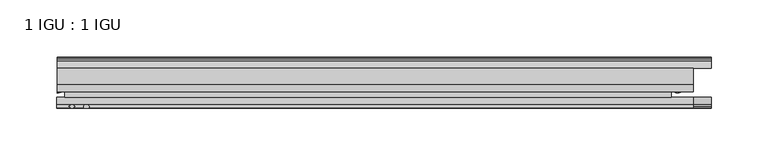
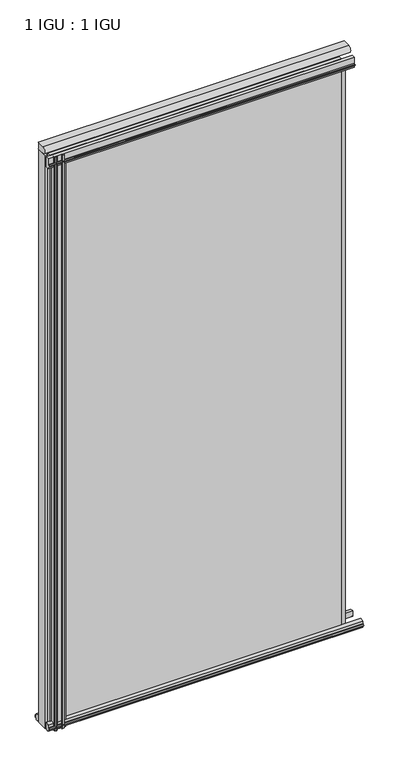
"""IFC4 building model written with IfcOpenShell, lengths in millimetres: plate geometry, 1 IGU : 1 IGU."""

from ifc_helpers import new_model, si_unit, point, frame, frame_2d, origin, place, context, project, spatial, polyline, circle_curve, ellipse_curve, trimmed, segment, composite_curve, outline, extrude, source, transform, mapped, element, save
from ifc_brep_helpers import plane_surface, cylinder_surface, revolved_surface, extruded_surface, advanced_brep


def plate_1_igu_1_igu_942560dd(model_context):
    return source(origin(), model_context, "Body", "SolidModel", [
        extrude(outline(polyline([(-314.3261907, -38.6468937), (218.0840032, -38.6468937), (218.0840032, -44.9460938), (-314.3261907, -44.9460938), (-314.3261907, -38.6468937)])), frame((0.0, 0.0, -12.7), z_axis=(0.0, 0.0, 1.0), x_axis=(1.0, 0.0, 0.0)), (0.0, 0.0, 1.0), 1106.5637371),
        extrude(outline(polyline([(-314.3261907, -19.5460937), (218.0840032, -19.5460937), (218.0840032, -25.8960938), (-314.3261907, -25.8960938), (-314.3261907, -19.5460937)])), frame((0.0, 0.0, -12.7), z_axis=(0.0, 0.0, 1.0), x_axis=(1.0, 0.0, 0.0)), (0.0, 0.0, 1.0), 1106.5637371),
        extrude(outline(composite_curve([segment(trimmed(circle_curve(frame_2d((-9.2245666, 1100.1773164)), 12.1106873), [point((-19.5460937, 1106.5125215))], [point((-19.5460937, 1093.8421112))], True, "CARTESIAN"), True, "CONTINUOUS"), segment(polyline([(-19.5460937, 1093.8421112), (-33.8757421, 1093.8421112)]), True, "CONTINUOUS"), segment(trimmed(circle_curve(frame_2d((-33.8757421, 1100.1773164)), 6.3352052), [point((-33.8757421, 1093.8421112))], [point((-33.8757421, 1106.5125215))], False, "CARTESIAN"), True, "CONTINUOUS"), segment(polyline([(-33.8757421, 1106.5125215), (-19.5460937, 1106.5125215)]), True, "CONTINUOUS")], self_intersect=False)), frame((-320.6761907, 0.0, 0.0), z_axis=(1.0, 0.0, 0.0), x_axis=(0.0, 1.0, 0.0)), (0.0, 0.0, 1.0), 558.3062877),
        advanced_brep(
        [(230.8149887, -20.0381352, 1074.8137371), (218.1149887, -19.5460938, 1074.8137371), (218.1149887, -25.8960938, 1074.8137371), (217.2629308, -29.4671887, 1074.8137371), (230.8149887, -32.2460938, 1074.8137371), (230.8149887, -20.0381352, -12.4587), (230.8149887, -32.2460938, -12.4587), (217.266167, -29.4679608, -12.4587), (218.1149887, -25.8960938, -12.4587), (218.1149887, -19.5460938, -12.4587)],
        [
            (0, 1, circle_curve(frame((225.0982619, -3.4468047, 1074.8137371), z_axis=(0.0, 0.0, -1.0), x_axis=(0.0, 1.0, 0.0)), 17.5485957)),
            (1, 2),
            (2, 3),
            (3, 4, ellipse_curve(frame((223.8788201, -32.2460938, 1074.8137371), z_axis=(0.0, 0.0, 1.0), x_axis=(0.0, -1.0, 0.0)), 9.2039536, 6.9361686)),
            (4, 0),
            (5, 6),
            (6, 7, ellipse_curve(frame((223.8788201, -32.2460938, -12.4587), z_axis=(0.0, 0.0, -1.0), x_axis=(0.0, -1.0, 0.0)), 9.2039536, 6.9361686)),
            (7, 8),
            (8, 9),
            (9, 5, circle_curve(frame((225.0982619, -3.4468047, -12.4587), z_axis=(0.0, 0.0, 1.0), x_axis=(0.0, 1.0, 0.0)), 17.5485957)),
            (0, 5),
            (9, 1),
            (8, 2),
            (7, 3),
            (6, 4),
        ],
        [
            plane_surface(frame((253.2074407, -13.1960938, 1074.8137371), z_axis=(0.0, 0.0, 1.0), x_axis=(0.0, 1.0, 0.0))),
            plane_surface(frame((253.2074407, -13.1960938, -12.4587), z_axis=(0.0, 0.0, -1.0), x_axis=(0.0, 1.0, 0.0))),
            revolved_surface(polyline([(225.0982619, 14.101791, -12.458699999999908), (225.0982619, 14.101791, 1074.8137371)]), (225.0982619, -3.4468047, 1074.8137371), (0.0, 0.0, -1.0)),
            plane_surface(frame((218.1149887, -19.5460938, 1074.8137371), z_axis=(-1.0, 0.0, 0.0), x_axis=(0.0, 0.0, -1.0))),
            plane_surface(frame((218.1149887, -25.8960938, 1074.8137371), z_axis=(-0.972695803429064, 0.23208376503212744, 0.0), x_axis=(0.0, 0.0, -1.0))),
            extruded_surface(trimmed(ellipse_curve(frame((223.8788201, -32.2460938, -12.4587), z_axis=(0.0, 0.0, 1.0), x_axis=(0.0, -1.0, 0.0)), 9.2039536, 6.9361686), [point((217.266167, -29.4679608, -12.4587))], [point((230.8149887, -32.2460938, -12.4587))], True, "CARTESIAN"), (0.0, 0.0, 1087.2724371), 1087.2724371),
            plane_surface(frame((230.8149887, -32.2460938, 1074.8137371), z_axis=(1.0, 0.0, 0.0), x_axis=(0.0, 0.0, -1.0))),
        ],
        [
            (0, [[1, 2, 3, 4, 5]]),
            (1, [[6, 7, 8, 9, 10]]),
            (2, [[-1, 11, -10, 12]]),
            (3, [[-2, -12, -9, 13]]),
            (4, [[-3, -13, -8, 14]]),
            (5, [[-4, -14, -7, 15]]),
            (6, [[-5, -15, -6, -11]]),
        ],
    ),
        advanced_brep(
        [(-320.6761907, -21.1706006, -12.7), (-314.3275788, -19.5461438, -12.7), (-314.3275788, -25.8549351, -12.7), (-313.1522276, -32.21431, -12.7), (-320.6761907, -41.5384043, -12.7), (-320.6761907, -21.1706006, 1093.8637371), (-320.6761907, -41.5384043, 1093.8637371), (-313.1522276, -32.21431, 1093.8637371), (-314.3275788, -25.8549351, 1093.8637371), (-314.3275788, -19.5461438, 1093.8637371)],
        [
            (0, 1, circle_curve(frame((-320.6767601, -7.9505008, -12.7), z_axis=(0.0, 0.0, 1.0), x_axis=(1.0, 0.0, 0.0)), 13.2200998)),
            (1, 2),
            (2, 3, circle_curve(frame((-331.2145919, -32.2643264, -12.7), z_axis=(0.0, 0.0, -1.0), x_axis=(1.0, 0.0, 0.0)), 18.0624336)),
            (3, 4, ellipse_curve(frame((-320.6753578, -32.2460921, -12.7), z_axis=(0.0, 0.0, -1.0), x_axis=(0.0, -1.0, 0.0)), 9.2923123, 7.5231742)),
            (4, 0),
            (5, 6),
            (6, 7, ellipse_curve(frame((-320.6753578, -32.2460921, 1093.8637371), z_axis=(0.0, 0.0, 1.0), x_axis=(0.0, -1.0, 0.0)), 9.2923123, 7.5231742)),
            (7, 8, circle_curve(frame((-331.2145919, -32.2643264, 1093.8637371), z_axis=(0.0, 0.0, 1.0), x_axis=(1.0, 0.0, 0.0)), 18.0624336)),
            (8, 9),
            (9, 5, circle_curve(frame((-320.6767601, -7.9505008, 1093.8637371), z_axis=(0.0, 0.0, -1.0), x_axis=(1.0, 0.0, 0.0)), 13.2200998)),
            (0, 5),
            (9, 1),
            (8, 2),
            (7, 3),
            (6, 4),
        ],
        [
            plane_surface(frame((-320.6761907, -13.1960937, -12.7), z_axis=(0.0, 0.0, -1.0), x_axis=(0.0, 1.0, 0.0))),
            plane_surface(frame((-320.6761907, -13.1960937, 1093.8637371), z_axis=(0.0, 0.0, 1.0), x_axis=(0.0, 1.0, 0.0))),
            revolved_surface(polyline([(-307.4566603, -7.9505008, 1093.8637371), (-307.4566603, -7.9505008, -12.7)]), (-320.6767601, -7.9505008, -12.7), (0.0, 0.0, 1.0)),
            plane_surface(frame((-314.3275788, -19.5461438, -12.7), z_axis=(1.0, 0.0, 0.0), x_axis=(0.0, 0.0, 1.0))),
            cylinder_surface(frame((-331.2145919, -32.2643264, -12.7), z_axis=(0.0, 0.0, -1.0), x_axis=(1.0, 0.0, 0.0)), 18.0624336),
            extruded_surface(trimmed(ellipse_curve(frame((-320.6753578, -32.2460921, 1093.8637371), z_axis=(0.0, 0.0, -1.0), x_axis=(0.0, -1.0, 0.0)), 9.2923123, 7.5231742), [point((-313.1522276, -32.21431, 1093.8637371))], [point((-320.6761907, -41.5384043, 1093.8637371))], True, "CARTESIAN"), (0.0, 0.0, -1106.5637371), 1106.5637371),
            plane_surface(frame((-320.6761907, -41.5384043, -12.7), z_axis=(-1.0, 0.0, 0.0), x_axis=(0.0, 0.0, 1.0))),
        ],
        [
            (0, [[1, 2, 3, 4, 5]]),
            (1, [[6, 7, 8, 9, 10]]),
            (2, [[-1, 11, -10, 12]]),
            (3, [[-2, -12, -9, 13]]),
            (4, [[-3, -13, -8, 14]]),
            (5, [[-4, -14, -7, 15]]),
            (6, [[-5, -15, -6, -11]]),
        ],
    ),
        extrude(outline(polyline([(-44.9460937, 1.7177181), (-44.9460937, -9.1036578), (-48.3496937, -11.938), (-51.2960937, -11.938), (-51.2960937, -7.493), (-53.6762907, -7.112), (-53.2163575, -8.5275291), (-54.0175717, -8.5275291), (-54.7250937, -6.35), (-54.0175717, -4.1724709), (-53.2163575, -4.1724709), (-53.6762907, -5.588), (-51.2960937, -5.207), (-51.2960937, 0.0), (-44.9460937, 1.7177181)])), frame((-320.6761907, 0.0, 0.0), z_axis=(1.0, 0.0, 0.0), x_axis=(0.0, 1.0, 0.0)), (0.0, 0.0, 1.0), 573.8836314),
        extrude(outline(polyline([(-13.1960937, -12.4587), (-16.1424937, -12.4587), (-19.5460937, -9.6243578), (-19.5460937, 1.1970181), (-13.1960937, -0.5207), (-13.1960937, -5.7277), (-10.8158968, -6.1087), (-11.27583, -4.6931709), (-10.4746158, -4.6931709), (-9.7670937, -6.8707), (-10.4746158, -9.0482291), (-11.27583, -9.0482291), (-10.8158968, -7.6327), (-13.1960937, -8.0137), (-13.1960937, -12.4587)])), frame((-320.6761907, 0.0, 0.0), z_axis=(1.0, 0.0, 0.0), x_axis=(0.0, 1.0, 0.0)), (0.0, 0.0, 1.0), 573.8836314),
        extrude(outline(composite_curve([segment(polyline([(-44.9380025, 1074.7258348), (-51.2960937, 1074.7258348), (-51.2960937, 1079.5518348), (-54.1955564, 1079.5518348), (-54.8194621, 1080.5291272)]), True, "CONTINUOUS"), segment(trimmed(circle_curve(frame_2d((-53.9630937, 1081.0758348)), 1.016), [point((-54.8194621, 1080.5291272))], [point((-54.8194621, 1081.6225424))], False, "CARTESIAN"), True, "CONTINUOUS"), segment(polyline([(-54.8194621, 1081.6225424), (-54.1955564, 1082.5998348), (-51.2878033, 1082.5998348), (-51.2916866, 1093.7645183), (-44.9380025, 1093.7645183), (-44.9380025, 1074.7258348)]), True, "CONTINUOUS")], self_intersect=False)), frame((-321.1184846, 0.0, 0.0), z_axis=(1.0, 0.0, 0.0), x_axis=(0.0, 1.0, 0.0)), (0.0, 0.0, 1.0), 558.7485815),
        extrude(outline(composite_curve([segment(trimmed(circle_curve(frame_2d((-279.9102594, -51.9750196)), 9.0414579), [point((-285.5972763, -44.9460938))], [point((-288.9261909, -51.2960938))], True, "CARTESIAN"), True, "CONTINUOUS"), segment(polyline([(-288.9261909, -51.2960938), (-293.1679909, -51.2960938)]), True, "CONTINUOUS"), segment(trimmed(circle_curve(frame_2d((-293.1679909, -51.7532938)), 0.4572), [point((-293.1679909, -51.2960938))], [point((-293.5068087, -52.0602698))], True, "CARTESIAN"), True, "CONTINUOUS"), segment(trimmed(circle_curve(frame_2d((-295.2761909, -53.663367)), 2.3876), [point((-293.5068087, -52.0602698))], [point((-293.2055479, -54.8520938))], False, "CARTESIAN"), True, "CONTINUOUS"), segment(polyline([(-293.2055479, -54.8520938), (-297.3468339, -54.8520938)]), True, "CONTINUOUS"), segment(trimmed(circle_curve(frame_2d((-295.2761909, -53.663367)), 2.3876), [point((-297.3468339, -54.8520938))], [point((-297.045573, -52.0602698))], False, "CARTESIAN"), True, "CONTINUOUS"), segment(trimmed(circle_curve(frame_2d((-297.3843909, -51.7532938)), 0.4572), [point((-297.045573, -52.0602698))], [point((-297.3843909, -51.2960938))], True, "CARTESIAN"), True, "CONTINUOUS"), segment(polyline([(-297.3843909, -51.2960938), (-306.4521909, -51.2960938), (-306.4521909, -52.9470938), (-305.3745601, -52.9470938)]), True, "CONTINUOUS"), segment(trimmed(circle_curve(frame_2d((-306.4521909, -52.9470938)), 1.0776307), [point((-305.3745601, -52.9470938))], [point((-305.6901909, -53.7090938))], False, "CARTESIAN"), True, "CONTINUOUS"), segment(polyline([(-305.6901909, -53.7090938), (-307.4294833, -54.8194621)]), True, "CONTINUOUS"), segment(trimmed(circle_curve(frame_2d((-307.9761909, -53.9630938)), 1.016), [point((-307.4294833, -54.8194621))], [point((-308.5228985, -54.8194621))], False, "CARTESIAN"), True, "CONTINUOUS"), segment(polyline([(-308.5228985, -54.8194621), (-310.2621909, -53.7090938)]), True, "CONTINUOUS"), segment(trimmed(circle_curve(frame_2d((-309.5001909, -52.9470938)), 1.0776307), [point((-310.2621909, -53.7090938))], [point((-310.5778216, -52.9470938))], False, "CARTESIAN"), True, "CONTINUOUS"), segment(polyline([(-310.5778216, -52.9470938), (-309.5001909, -52.9470938), (-309.5001909, -51.2960938), (-311.1511909, -51.2960938), (-311.1511909, -44.9460938), (-285.5972763, -44.9460938)]), True, "CONTINUOUS")], self_intersect=False)), frame((0.0, 0.0, -12.7), z_axis=(0.0, 0.0, 1.0), x_axis=(1.0, 0.0, 0.0)), (0.0, 0.0, 1.0), 1106.5637373),
    ])


if __name__ == "__main__":
    model = new_model("IFC4")
    model_context = context("Model", 3, world=origin())
    ifc_project = project(units=[si_unit("LENGTHUNIT", "METRE", prefix="MILLI")], contexts=[model_context])
    site = spatial("IfcSite", under=ifc_project)
    building = spatial("IfcBuilding", under=site)
    placement = place(None, origin())
    plate_1_igu_1_igu_shape = plate_1_igu_1_igu_942560dd(model_context)
    element("IfcPlate", 1, ObjectType="1 IGU : 1 IGU", at=placement, inside=building, context=model_context, shape_type="MappedRepresentation", body=[
        mapped(plate_1_igu_1_igu_shape, transform((0.0, 0.0, 0.0), x_axis=(1.0, 0.0, 0.0), y_axis=(0.0, 1.0, 0.0), z_axis=(0.0, 0.0, 1.0))),
    ])
    save(model, "model.ifc")
